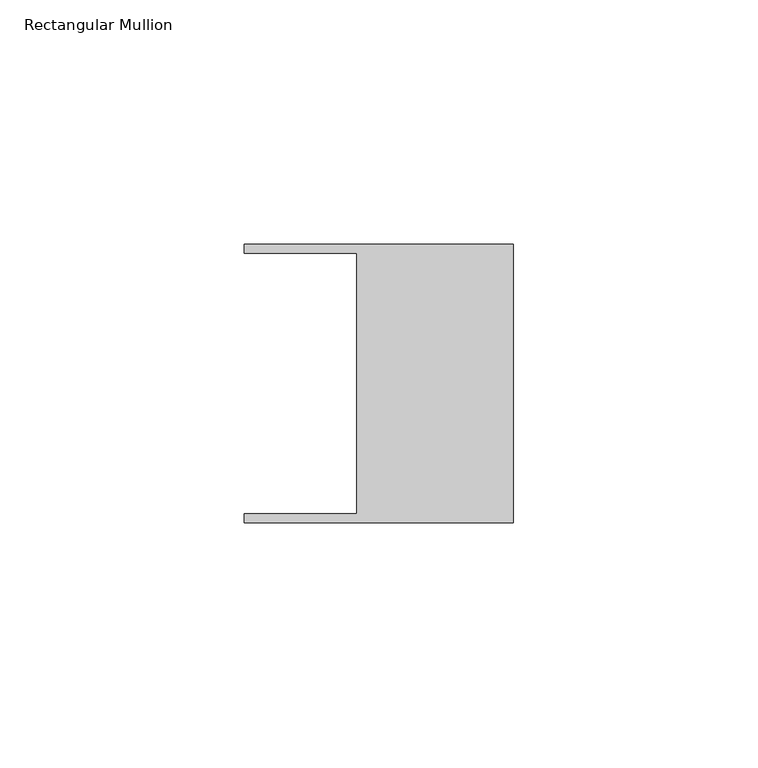
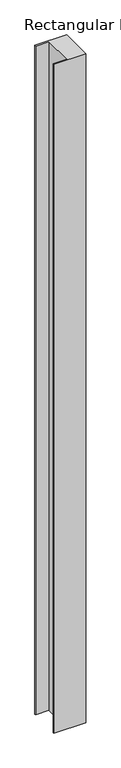
"""IFC4 building model written with IfcOpenShell, lengths in millimetres: member geometry, Rectangular Mullion."""

from ifc_helpers import new_model, si_unit, frame, origin, place, context, project, spatial, polyline, outline, extrude, source, transform, mapped, element, save


def rectangular_mullion_0016a477(model_context):
    return source(origin(), model_context, "Body", "SweptSolid", [
        extrude(outline(polyline([(-32.004, -26.67), (-32.004, 26.67), (-54.991, 26.67), (-54.991, 28.448), (0.0, 28.448), (0.0, -28.448), (-54.991, -28.448), (-54.991, -26.67), (-32.004, -26.67)])), frame((0.0, 0.0, -1225.4166754), z_axis=(0.0, 0.0, 1.0), x_axis=(1.0, 0.0, 0.0)), (0.0, 0.0, 1.0), 1225.4166754),
    ])


if __name__ == "__main__":
    model = new_model("IFC4")
    model_context = context("Model", 3, world=origin())
    ifc_project = project(units=[si_unit("LENGTHUNIT", "METRE", prefix="MILLI")], contexts=[model_context])
    site = spatial("IfcSite", under=ifc_project)
    building = spatial("IfcBuilding", under=site)
    placement = place(None, origin())
    rectangular_mullion_shape = rectangular_mullion_0016a477(model_context)
    element("IfcMember", 1, ObjectType="Rectangular Mullion", at=placement, inside=building, context=model_context, shape_type="MappedRepresentation", body=[
        mapped(rectangular_mullion_shape, transform((0.0, 0.0, 0.0), x_axis=(1.0, 0.0, 0.0), y_axis=(0.0, 1.0, 0.0), z_axis=(0.0, 0.0, 1.0))),
    ])
    save(model, "model.ifc")
